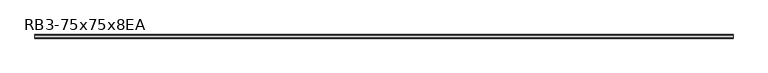
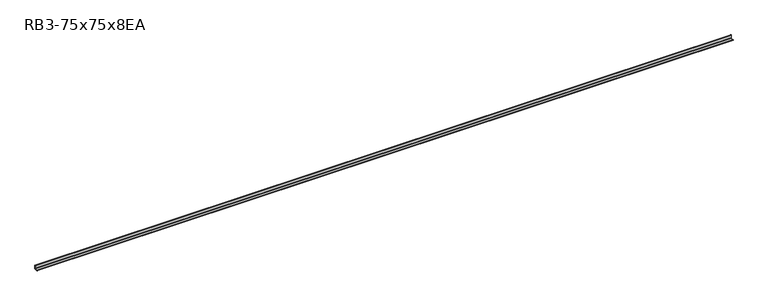
"""IFC4 building model written with IfcOpenShell, lengths in millimetres: member geometry, RB3-75x75x8EA."""

from ifc_helpers import new_model, si_unit, point, frame, frame_2d, origin, place, context, project, spatial, polyline, circle_curve, trimmed, segment, composite_curve, outline, extrude, source, transform, mapped, element, save


def rb3_75x75x8ea_e0cc7eab(model_context):
    return source(origin(), model_context, "Body", "SweptSolid", [
        extrude(outline(composite_curve([segment(polyline([(21.3, -21.3), (-53.7, -21.3), (-53.7, -18.3)]), True, "CONTINUOUS"), segment(trimmed(circle_curve(frame_2d((-48.7, -18.3)), 5.0), [point((-53.7, -18.3))], [point((-48.7, -13.3))], False, "CARTESIAN"), True, "CONTINUOUS"), segment(polyline([(-48.7, -13.3), (5.3, -13.3)]), True, "CONTINUOUS"), segment(trimmed(circle_curve(frame_2d((5.3, -5.3)), 8.0), [point((5.3, -13.3))], [point((13.3, -5.3))], True, "CARTESIAN"), True, "CONTINUOUS"), segment(polyline([(13.3, -5.3), (13.3, 48.7)]), True, "CONTINUOUS"), segment(trimmed(circle_curve(frame_2d((18.3, 48.7)), 5.0), [point((13.3, 48.7))], [point((18.3, 53.7))], False, "CARTESIAN"), True, "CONTINUOUS"), segment(polyline([(18.3, 53.7), (21.3, 53.7), (21.3, -21.3)]), True, "CONTINUOUS")], self_intersect=False)), frame((-7309.3483406, 0.0, 0.0), z_axis=(1.0, 0.0, 0.0), x_axis=(0.0, 1.0, 0.0)), (0.0, 0.0, 1.0), 14548.6670722),
    ])


if __name__ == "__main__":
    model = new_model("IFC4")
    model_context = context("Model", 3, world=origin())
    ifc_project = project(units=[si_unit("LENGTHUNIT", "METRE", prefix="MILLI")], contexts=[model_context])
    site = spatial("IfcSite", under=ifc_project)
    building = spatial("IfcBuilding", under=site)
    placement = place(None, origin())
    rb3_75x75x8ea_shape = rb3_75x75x8ea_e0cc7eab(model_context)
    element("IfcMember", 1, ObjectType="RB3-75x75x8EA", at=placement, inside=building, context=model_context, shape_type="MappedRepresentation", body=[
        mapped(rb3_75x75x8ea_shape, transform((0.0, 0.0, 0.0), x_axis=(1.0, 0.0, 0.0), y_axis=(0.0, 1.0, 0.0), z_axis=(0.0, 0.0, 1.0))),
    ])
    save(model, "model.ifc")
